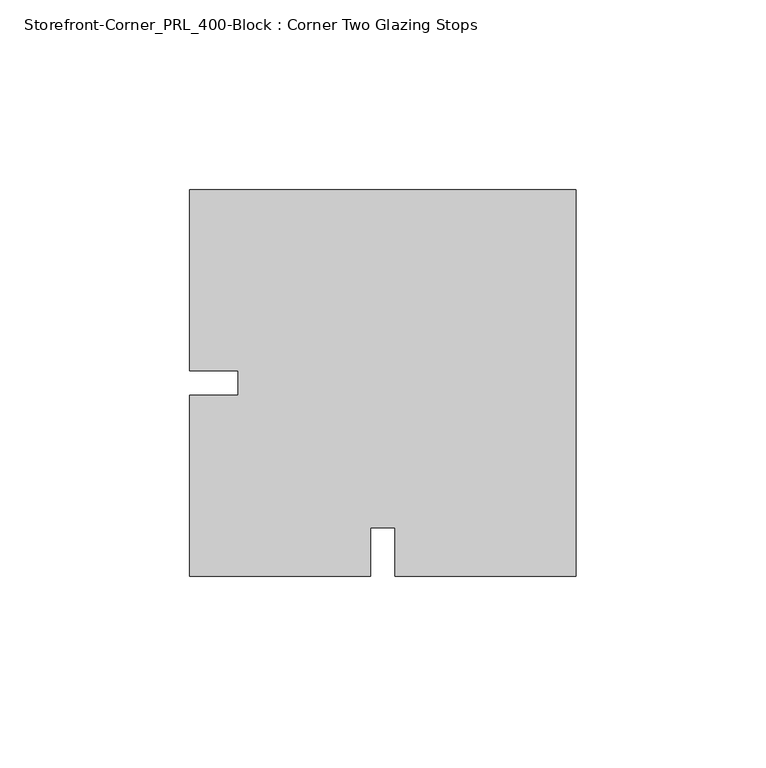
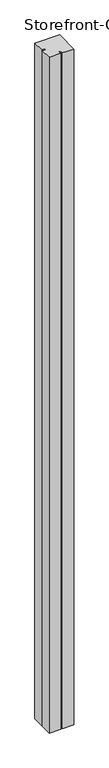
"""IFC4 building model written with IfcOpenShell, lengths in millimetres: proxy geometry, Storefront-Corner_PRL_400-Block : Corner Two Glazing Stops."""

import ifcopenshell
import ifcopenshell.guid

model = None  # the IFC model being written
_history = None  # IfcOwnerHistory: only IFC2X3 demands one
_inside = {}  # id of a spatial element -> (the spatial element, [elements in it])
_under = {}  # id of a project, library or spatial element -> (it, [spatial elements below it])
_declared = {}  # id of a project -> (the project, [libraries it declares])
_typed = {}  # id of a type object -> (the type object, [elements of that type])
_made_of = {}  # id of a material, layer set ... -> (it, [elements and type objects made of it])


def new_model(schema):
    """Start an empty IFC model of exactly this schema.

    Asked for "IFC4X3", IfcOpenShell would pick the latest addendum, in which some entities
    have other attributes; the version numbers below select the first issue.
    IFC2X3 requires an IfcOwnerHistory on every rooted entity: one is made here for all.
    """
    global model, _history
    if schema == "IFC4X3":
        model = ifcopenshell.file(schema_version=(4, 3, 0, 0))
    else:
        model = ifcopenshell.file(schema=schema)
    _inside.clear()
    _under.clear()
    _declared.clear()
    _typed.clear()
    _made_of.clear()
    _history = None
    if model.schema == "IFC2X3":
        org = make("IfcOrganization", Name="unknown")
        user = make(
            "IfcPersonAndOrganization",
            ThePerson=make("IfcPerson", FamilyName="unknown"),
            TheOrganization=org,
        )
        app = make(
            "IfcApplication",
            ApplicationDeveloper=org,
            Version="unknown",
            ApplicationFullName="unknown",
            ApplicationIdentifier="unknown",
        )
        _history = make(
            "IfcOwnerHistory",
            OwningUser=user,
            OwningApplication=app,
            ChangeAction="ADDED",
            CreationDate=0,
        )
    return model


def make(cls, **values):
    """One entity of the class cls with the attributes given. An attribute that is None is left unset."""
    return model.create_entity(
        cls, **{name: value for name, value in values.items() if value is not None}
    )


def rooted(cls, **values):
    """An entity with a GlobalId (a new one), such as an element, a storey or a relation."""
    return make(cls, GlobalId=ifcopenshell.guid.new(), OwnerHistory=_history, **values)


def si_unit(unit_type, name, prefix=None):
    """IfcSIUnit, for example si_unit("LENGTHUNIT", "METRE", prefix="MILLI")."""
    return make("IfcSIUnit", UnitType=unit_type, Prefix=prefix, Name=name)


def assignment(units):
    """IfcUnitAssignment: the units of a project."""
    return None if units is None else make("IfcUnitAssignment", Units=units)


def point(xyz):
    """IfcCartesianPoint."""
    return None if xyz is None else make("IfcCartesianPoint", Coordinates=xyz)


def direction(xyz):
    """IfcDirection."""
    return None if xyz is None else make("IfcDirection", DirectionRatios=xyz)


def frame(location, z_axis=None, x_axis=None):
    """IfcAxis2Placement3D, a coordinate frame: its origin and axes. An axis left out is left unset."""
    return make(
        "IfcAxis2Placement3D",
        Location=point(location),
        Axis=direction(z_axis),
        RefDirection=direction(x_axis),
    )


def origin():
    """The frame at (0, 0, 0) with its axes left unset."""
    return frame((0.0, 0.0, 0.0))


def origin_with_axes():
    """The frame at (0, 0, 0) with the z axis (0, 0, 1) and the x axis (1, 0, 0) written out."""
    return frame((0.0, 0.0, 0.0), z_axis=(0.0, 0.0, 1.0), x_axis=(1.0, 0.0, 0.0))


def place(relative_to, where):
    """IfcLocalPlacement: puts the frame where relative to a parent placement (None: the world)."""
    return make(
        "IfcLocalPlacement", PlacementRelTo=relative_to, RelativePlacement=where
    )


def context(
    kind, dimensions, precision=None, world=None, true_north=None, identifier=None
):
    """IfcGeometricRepresentationContext, for example the 3D "Model" context."""
    return make(
        "IfcGeometricRepresentationContext",
        ContextIdentifier=identifier,
        ContextType=kind,
        CoordinateSpaceDimension=dimensions,
        Precision=precision,
        WorldCoordinateSystem=world,
        TrueNorth=true_north,
    )


def project(units=None, contexts=None):
    """IfcProject with its units and contexts."""
    return rooted(
        "IfcProject",
        Name="project",
        RepresentationContexts=contexts,
        UnitsInContext=assignment(units),
    )


def spatial(cls, under=None, at=None, **own):
    """A site, building, storey or space (cls), placed at a placement, below another one or the project."""
    s = rooted(cls, ObjectPlacement=at, **own)
    if under is not None:
        _under.setdefault(under.id(), (under, []))[1].append(s)
    return s


def polyline(points):
    """IfcPolyline through the points."""
    return make("IfcPolyline", Points=[point(p) for p in points])


def outline(outer, holes=None, kind="AREA"):
    """IfcArbitraryClosedProfileDef: a profile drawn as a closed curve; with holes, ...WithVoids."""
    if holes is None:
        return make("IfcArbitraryClosedProfileDef", ProfileType=kind, OuterCurve=outer)
    return make(
        "IfcArbitraryProfileDefWithVoids",
        ProfileType=kind,
        OuterCurve=outer,
        InnerCurves=holes,
    )


def extrude(swept, where, along, depth):
    """IfcExtrudedAreaSolid: the profile swept, set in the frame where, extruded along a direction by depth."""
    return make(
        "IfcExtrudedAreaSolid",
        SweptArea=swept,
        Position=where,
        ExtrudedDirection=direction(along),
        Depth=depth,
    )


def shape(context_of_items, identifier, shape_type, items):
    """IfcShapeRepresentation: the items that make up one representation, for example the "Body"."""
    return make(
        "IfcShapeRepresentation",
        ContextOfItems=context_of_items,
        RepresentationIdentifier=identifier,
        RepresentationType=shape_type,
        Items=items,
    )


def source(mapping_origin, context_of_items, identifier, shape_type, items):
    """IfcRepresentationMap: a shape defined once, which mapped items show again and again."""
    return make(
        "IfcRepresentationMap",
        MappingOrigin=mapping_origin,
        MappedRepresentation=shape(context_of_items, identifier, shape_type, items),
    )


def transform(
    local_origin,
    x_axis=None,
    y_axis=None,
    z_axis=None,
    scale=None,
    scale2=None,
    scale3=None,
    uniform=True,
):
    """IfcCartesianTransformationOperator3D, or its non-uniform kind. x_axis, y_axis, z_axis: its Axis1, 2, 3."""
    if uniform:
        return make(
            "IfcCartesianTransformationOperator3D",
            Axis1=direction(x_axis),
            Axis2=direction(y_axis),
            LocalOrigin=point(local_origin),
            Scale=scale,
            Axis3=direction(z_axis),
        )
    return make(
        "IfcCartesianTransformationOperator3DnonUniform",
        Axis1=direction(x_axis),
        Axis2=direction(y_axis),
        LocalOrigin=point(local_origin),
        Scale=scale,
        Axis3=direction(z_axis),
        Scale2=scale2,
        Scale3=scale3,
    )


def mapped(mapping_source, mapping_target):
    """IfcMappedItem: shows the shape of a source again, moved by a transform."""
    return make(
        "IfcMappedItem", MappingSource=mapping_source, MappingTarget=mapping_target
    )


def made_of(thing, what):
    """Note that an element or type object is made of a material, layer set ...; save() writes the relation."""
    if what is not None:
        _made_of.setdefault(what.id(), (what, []))[1].append(thing)
    return thing


def element(
    cls,
    number,
    at=None,
    inside=None,
    cuts=None,
    type_object=None,
    material=None,
    context=None,
    identifier="Body",
    shape_type=None,
    held_by="IfcProductDefinitionShape",
    body=None,
    shapes=None,
    **own,
):
    """One element of the class cls, such as IfcWall. Its Tag is "e" and its number.

    at: its placement. inside: the storey or other place that contains it. cuts: it is an
    opening in that element (IfcRelVoidsElement). A single representation is given by context,
    identifier, shape_type and body (its items); several are given by shapes. held_by: the class
    of the entity that holds the representations. save() writes the other relations.
    """
    e = rooted(cls, Tag="e%d" % number, ObjectPlacement=at, **own)
    if body is not None:
        shapes = [shape(context, identifier, shape_type, body)]
    if shapes is not None:
        e.Representation = make(held_by, Representations=shapes)
    if inside is not None:
        _inside.setdefault(inside.id(), (inside, []))[1].append(e)
    if cuts is not None:
        rooted(
            "IfcRelVoidsElement", RelatingBuildingElement=cuts, RelatedOpeningElement=e
        )
    if type_object is not None:
        _typed.setdefault(type_object.id(), (type_object, []))[1].append(e)
    return made_of(e, material)


def aggregate(whole, parts):
    """IfcRelAggregates: a whole, such as a stair, and the parts it consists of."""
    return rooted("IfcRelAggregates", RelatingObject=whole, RelatedObjects=parts)


def save(model, path):
    """Write the relations noted so far, then the file.

    IfcRelAggregates (storeys below a building ...), IfcRelContainedInSpatialStructure (elements
    in a storey), IfcRelDefinesByType, IfcRelAssociatesMaterial and IfcRelDeclares: one each for
    every whole, place, type object, material and project.
    """
    for whole, parts in _under.values():
        aggregate(whole, parts)
    for where, things in _inside.values():
        rooted(
            "IfcRelContainedInSpatialStructure",
            RelatedElements=things,
            RelatingStructure=where,
        )
    for kind, things in _typed.values():
        rooted("IfcRelDefinesByType", RelatedObjects=things, RelatingType=kind)
    for what, things in _made_of.values():
        rooted("IfcRelAssociatesMaterial", RelatedObjects=things, RelatingMaterial=what)
    for by, libraries in _declared.values():
        rooted("IfcRelDeclares", RelatingContext=by, RelatedDefinitions=libraries)
    model.write(path)


def storefront_corner_prl_400_block_corner_two_glazing_stops_71bba7f0(model_context):
    return source(origin(), model_context, "Body", "SweptSolid", [
        extrude(outline(polyline([(-50.8, -3.175), (-38.1, -3.175), (-38.1, 3.175), (-50.8, 3.175), (-50.8, 50.8), (50.8, 50.8), (50.8, -50.8), (3.175, -50.8), (3.175, -38.1), (-3.175, -38.1), (-3.175, -50.8), (-50.8, -50.8), (-50.8, -3.175)])), origin_with_axes(), (0.0, 0.0, 1.0), 2946.4),
    ])


if __name__ == "__main__":
    model = new_model("IFC4")
    model_context = context("Model", 3, world=origin())
    ifc_project = project(units=[si_unit("LENGTHUNIT", "METRE", prefix="MILLI")], contexts=[model_context])
    site = spatial("IfcSite", under=ifc_project)
    building = spatial("IfcBuilding", under=site)
    placement = place(None, origin())
    storefront_corner_prl_400_block_corner_two_glazing_stops_shape = storefront_corner_prl_400_block_corner_two_glazing_stops_71bba7f0(model_context)
    element("IfcBuildingElementProxy", 1, Name="Storefront-Corner_PRL_400-Block : Corner Two Glazing Stops", ObjectType="Storefront-Corner_PRL_400-Block : Corner Two Glazing Stops", at=placement, inside=building, context=model_context, shape_type="MappedRepresentation", body=[
        mapped(storefront_corner_prl_400_block_corner_two_glazing_stops_shape, transform((0.0, 0.0, 0.0), x_axis=(1.0, 0.0, 0.0), y_axis=(0.0, 1.0, 0.0), z_axis=(0.0, 0.0, 1.0))),
    ])
    save(model, "model.ifc")
